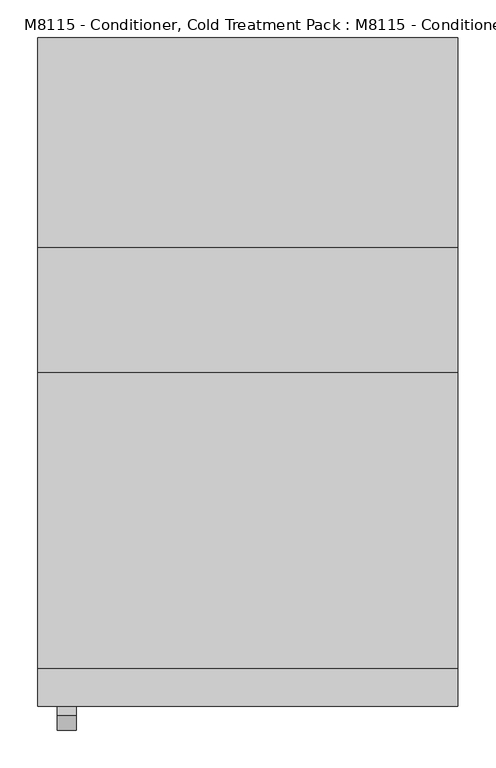
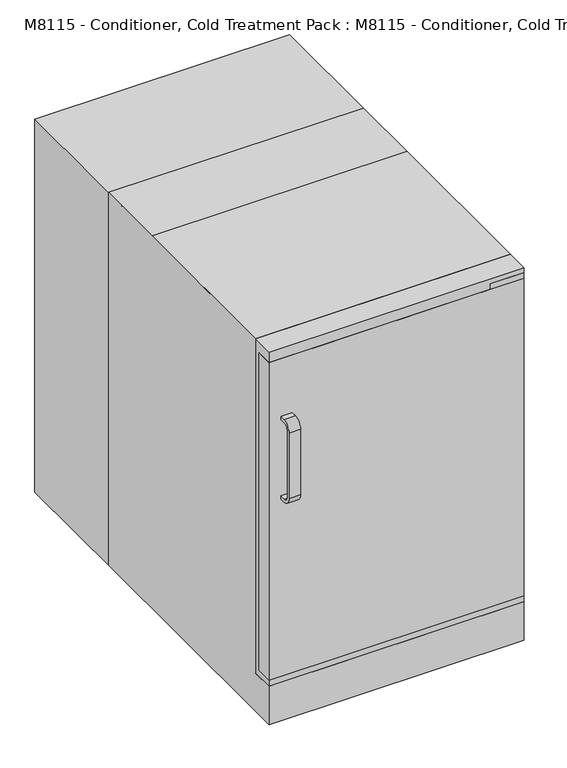
"""IFC4 building model written with IfcOpenShell, lengths in millimetres: proxy geometry, M8115 - Conditioner, Cold Treatment Pack : M8115 - Conditioner, Cold Treatment Pack."""

from ifc_helpers import new_model, si_unit, point, frame, frame_2d, origin, origin_with_axes, place, context, project, spatial, polyline, circle_curve, trimmed, segment, composite_curve, outline, extrude, source, transform, mapped, element, save


def m8115_conditioner_cold_treatment_pack_m8115_conditioner_cold_624eb40a(model_context):
    return source(origin(), model_context, "Body", "SweptSolid", [
        extrude(outline(composite_curve([segment(polyline([(-444.5, 521.0738531), (-444.5, 514.7238531), (-457.2, 514.7238531)]), True, "CONTINUOUS"), segment(trimmed(circle_curve(frame_2d((-457.2, 533.7738531)), 19.05), [point((-457.2, 514.7238531))], [point((-476.25, 533.7738531))], False, "CARTESIAN"), True, "CONTINUOUS"), segment(polyline([(-476.25, 533.7738531), (-476.25, 686.1738531)]), True, "CONTINUOUS"), segment(trimmed(circle_curve(frame_2d((-457.2, 686.1738531)), 19.05), [point((-476.25, 686.1738531))], [point((-457.2, 705.2238531))], False, "CARTESIAN"), True, "CONTINUOUS"), segment(polyline([(-457.2, 705.2238531), (-444.5, 705.2238531), (-444.5, 698.8738531), (-457.2, 698.8738531)]), True, "CONTINUOUS"), segment(trimmed(circle_curve(frame_2d((-457.2, 686.1738531)), 12.7), [point((-457.2, 698.8738531))], [point((-469.9, 686.1738531))], True, "CARTESIAN"), True, "CONTINUOUS"), segment(polyline([(-469.9, 686.1738531), (-469.9, 533.7738531)]), True, "CONTINUOUS"), segment(trimmed(circle_curve(frame_2d((-457.2, 533.7738531)), 12.7), [point((-469.9, 533.7738531))], [point((-457.2, 521.0738531))], True, "CARTESIAN"), True, "CONTINUOUS"), segment(polyline([(-457.2, 521.0738531), (-444.5, 521.0738531)]), True, "CONTINUOUS")], self_intersect=False)), frame((-253.6261469, 0.0, 0.0), z_axis=(1.0, 0.0, 0.0), x_axis=(0.0, 1.0, 0.0)), (0.0, 0.0, 1.0), 25.4),
        extrude(outline(polyline([(279.4, -444.5), (206.6741382, -444.5), (206.6741382, -393.7), (279.4, -393.7), (279.4, -444.5)])), frame((0.0, 0.0, 838.9000045), z_axis=(0.0, 0.0, 1.0), x_axis=(1.0, 0.0, 0.0)), (0.0, 0.0, 1.0), 12.7),
        extrude(outline(polyline([(279.4, -444.5), (-279.4, -444.5), (-279.4, -406.4), (279.4, -406.4), (279.4, -444.5)])), frame((0.0, 0.0, 103.0895725), z_axis=(0.0, 0.0, 1.0), x_axis=(1.0, 0.0, 0.0)), (0.0, 0.0, 1.0), 735.8104319),
        extrude(outline(polyline([(266.7, -393.7), (266.7, -406.4), (-268.0129884, -406.4), (-268.0129884, -393.7), (266.7, -393.7)])), frame((0.0, 0.0, 123.1309951), z_axis=(0.0, 0.0, 1.0), x_axis=(1.0, 0.0, 0.0)), (0.0, 0.0, 1.0), 692.0091457),
        extrude(outline(polyline([(-393.7, 863.6), (0.0, 863.6), (165.1, 863.6), (165.1, 0.0), (-393.7, 0.0), (-444.5, 0.0), (-444.5, 88.9), (-393.7, 88.9), (-393.7, 863.6)])), frame((-279.4, 0.0, 0.0), z_axis=(1.0, 0.0, 0.0), x_axis=(0.0, 1.0, 0.0)), (0.0, 0.0, 1.0), 558.8),
        extrude(outline(polyline([(-279.4, 444.5), (279.4, 444.5), (279.4, -444.5), (-279.4, -444.5), (-279.4, 0.0), (-279.4, 444.5)])), origin_with_axes(), (0.0, 0.0, 1.0), 863.6),
    ])


if __name__ == "__main__":
    model = new_model("IFC4")
    model_context = context("Model", 3, world=origin())
    ifc_project = project(units=[si_unit("LENGTHUNIT", "METRE", prefix="MILLI")], contexts=[model_context])
    site = spatial("IfcSite", under=ifc_project)
    building = spatial("IfcBuilding", under=site)
    placement = place(None, origin())
    m8115_conditioner_cold_treatment_pack_m8115_conditioner_cold_shape = m8115_conditioner_cold_treatment_pack_m8115_conditioner_cold_624eb40a(model_context)
    element("IfcBuildingElementProxy", 1, Name="M8115 - Conditioner, Cold Treatment Pack : M8115 - Conditioner, Cold Treatment Pack", ObjectType="M8115 - Conditioner, Cold Treatment Pack : M8115 - Conditioner, Cold Treatment Pack", at=placement, inside=building, context=model_context, shape_type="MappedRepresentation", body=[
        mapped(m8115_conditioner_cold_treatment_pack_m8115_conditioner_cold_shape, transform((0.0, 0.0, 0.0), x_axis=(1.0, 0.0, 0.0), y_axis=(0.0, 1.0, 0.0), z_axis=(0.0, 0.0, 1.0))),
    ])
    save(model, "model.ifc")
